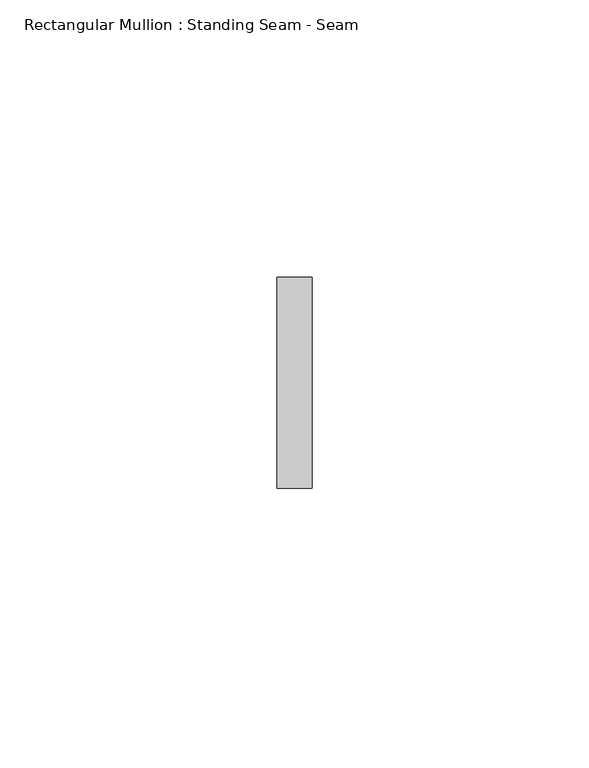
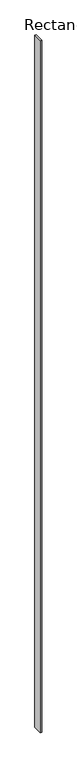
"""IFC4 building model written with IfcOpenShell, lengths in millimetres: member geometry, Rectangular Mullion : Standing Seam - Seam."""

from ifc_helpers import new_model, si_unit, frame, origin, place, context, project, spatial, polyline, outline, extrude, source, transform, mapped, element, save


def rectangular_mullion_standing_seam_seam_3a2850ed(model_context):
    return source(origin(), model_context, "Body", "SweptSolid", [
        extrude(outline(polyline([(3.175, 41.275), (3.175, 3.175), (-3.175, 3.175), (-3.175, 41.275), (3.175, 41.275)])), frame((0.0, 0.0, -3011.8848438), z_axis=(0.0, 0.0, 1.0), x_axis=(1.0, 0.0, 0.0)), (0.0, 0.0, 1.0), 3011.8848438),
    ])


if __name__ == "__main__":
    model = new_model("IFC4")
    model_context = context("Model", 3, world=origin())
    ifc_project = project(units=[si_unit("LENGTHUNIT", "METRE", prefix="MILLI")], contexts=[model_context])
    site = spatial("IfcSite", under=ifc_project)
    building = spatial("IfcBuilding", under=site)
    placement = place(None, origin())
    rectangular_mullion_standing_seam_seam_shape = rectangular_mullion_standing_seam_seam_3a2850ed(model_context)
    element("IfcMember", 1, ObjectType="Rectangular Mullion : Standing Seam - Seam", at=placement, inside=building, context=model_context, shape_type="MappedRepresentation", body=[
        mapped(rectangular_mullion_standing_seam_seam_shape, transform((0.0, 0.0, 0.0), x_axis=(1.0, 0.0, 0.0), y_axis=(0.0, 1.0, 0.0), z_axis=(0.0, 0.0, 1.0))),
    ])
    save(model, "model.ifc")
